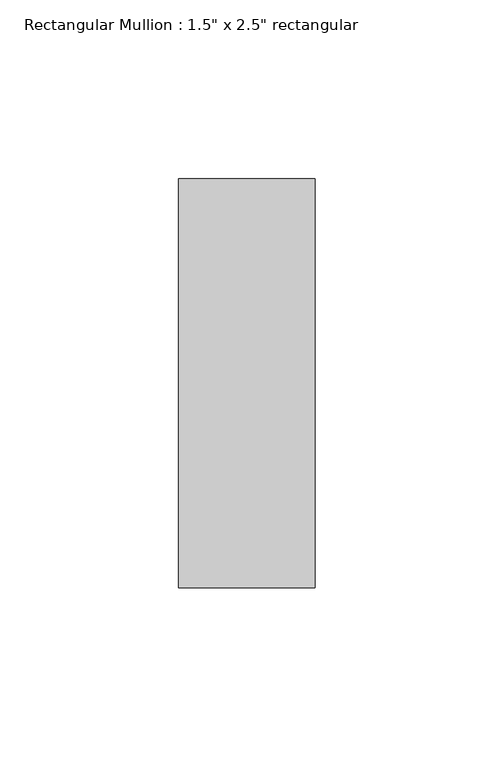
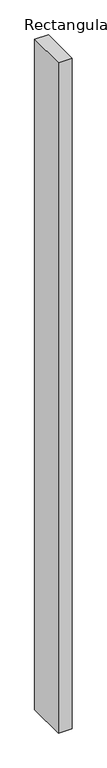
"""IFC4 building model written with IfcOpenShell, lengths in millimetres: member geometry."""

from ifc_helpers import new_model, si_unit, frame, origin, place, context, project, spatial, polyline, outline, extrude, source, transform, mapped, element, save


def member_5928fb24(model_context):
    return source(origin(), model_context, "Body", "SweptSolid", [
        extrude(outline(polyline([(0.0, 57.15), (0.0, -57.15), (-38.1, -57.15), (-38.1, 57.15), (0.0, 57.15)])), frame((0.0, 0.0, -1981.2), z_axis=(0.0, 0.0, 1.0), x_axis=(1.0, 0.0, 0.0)), (0.0, 0.0, 1.0), 1981.2),
    ])


if __name__ == "__main__":
    model = new_model("IFC4")
    model_context = context("Model", 3, world=origin())
    ifc_project = project(units=[si_unit("LENGTHUNIT", "METRE", prefix="MILLI")], contexts=[model_context])
    site = spatial("IfcSite", under=ifc_project)
    building = spatial("IfcBuilding", under=site)
    placement = place(None, origin())
    member_shape = member_5928fb24(model_context)
    element("IfcMember", 1, ObjectType="Rectangular Mullion : 1.5\" x 2.5\" rectangular", at=placement, inside=building, context=model_context, shape_type="MappedRepresentation", body=[
        mapped(member_shape, transform((0.0, 0.0, 0.0), x_axis=(1.0, 0.0, 0.0), y_axis=(0.0, 1.0, 0.0), z_axis=(0.0, 0.0, 1.0))),
    ])
    save(model, "model.ifc")
